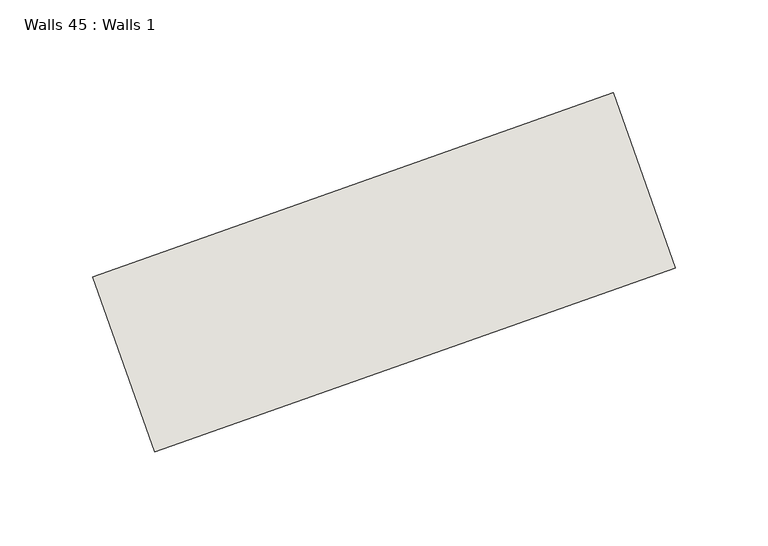
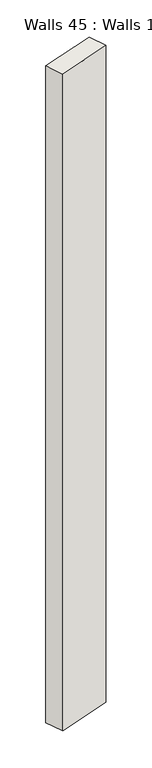
"""IFC4 building model written with IfcOpenShell, lengths in millimetres: wall geometry, Walls 45 : Walls 1."""

from ifc_helpers import new_model, si_unit, origin, origin_with_axes, place, context, project, spatial, polyline, outline, extrude, source, transform, mapped, element, save


def walls_45_walls_1_8df95f82(model_context):
    return source(origin(), model_context, "Body", "SweptSolid", [
        extrude(outline(polyline([(12062.4354931, -3507.4859263), (12342.1640679, -3408.4916605), (12375.525942, -3502.7624691), (12095.7973671, -3601.756735), (12062.4354931, -3507.4859263)])), origin_with_axes(), (0.0, 0.0, 1.0), 3589.7389443),
    ])


if __name__ == "__main__":
    model = new_model("IFC4")
    model_context = context("Model", 3, world=origin())
    ifc_project = project(units=[si_unit("LENGTHUNIT", "METRE", prefix="MILLI")], contexts=[model_context])
    site = spatial("IfcSite", under=ifc_project)
    building = spatial("IfcBuilding", under=site)
    placement = place(None, origin())
    walls_45_walls_1_shape = walls_45_walls_1_8df95f82(model_context)
    element("IfcWall", 1, ObjectType="Walls 45 : Walls 1", at=placement, inside=building, context=model_context, shape_type="MappedRepresentation", body=[
        mapped(walls_45_walls_1_shape, transform((0.0, 0.0, 0.0), x_axis=(1.0, 0.0, 0.0), y_axis=(0.0, 1.0, 0.0), z_axis=(0.0, 0.0, 1.0))),
    ])
    save(model, "model.ifc")
